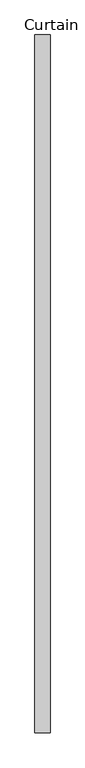
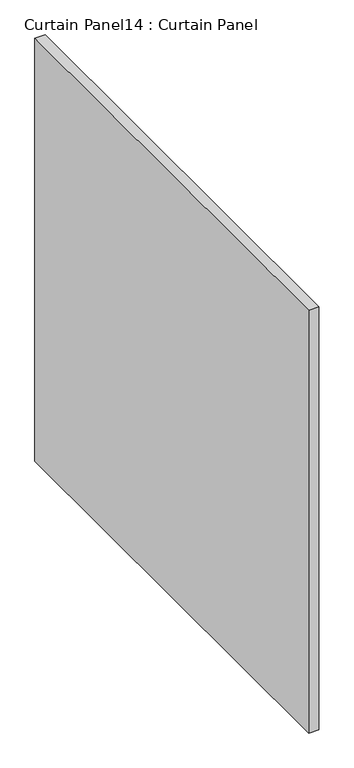
"""IFC4 building model written with IfcOpenShell, lengths in millimetres: plate geometry, Curtain Panel14 : Curtain Panel."""

from ifc_helpers import new_model, si_unit, frame, origin, place, context, project, spatial, polyline, outline, extrude, source, transform, mapped, element, save


def curtain_panel14_curtain_panel_afde36be(model_context):
    return source(origin(), model_context, "Body", "SweptSolid", [
        extrude(outline(polyline([(-290876.6259027, 1951.9785239), (-290876.6259027, 780.4035239), (-290902.0259027, 780.4035239), (-290902.0259027, 1951.9785239), (-290876.6259027, 1951.9785239)])), frame((0.0, 0.0, -1198.5624347), z_axis=(0.0, 0.0, 1.0), x_axis=(1.0, 0.0, 0.0)), (0.0, 0.0, 1.0), 1104.899935),
    ])


if __name__ == "__main__":
    model = new_model("IFC4")
    model_context = context("Model", 3, world=origin())
    ifc_project = project(units=[si_unit("LENGTHUNIT", "METRE", prefix="MILLI")], contexts=[model_context])
    site = spatial("IfcSite", under=ifc_project)
    building = spatial("IfcBuilding", under=site)
    placement = place(None, origin())
    curtain_panel14_curtain_panel_shape = curtain_panel14_curtain_panel_afde36be(model_context)
    element("IfcPlate", 1, ObjectType="Curtain Panel14 : Curtain Panel", at=placement, inside=building, context=model_context, shape_type="MappedRepresentation", body=[
        mapped(curtain_panel14_curtain_panel_shape, transform((0.0, 0.0, 0.0), x_axis=(1.0, 0.0, 0.0), y_axis=(0.0, 1.0, 0.0), z_axis=(0.0, 0.0, 1.0))),
    ])
    save(model, "model.ifc")
